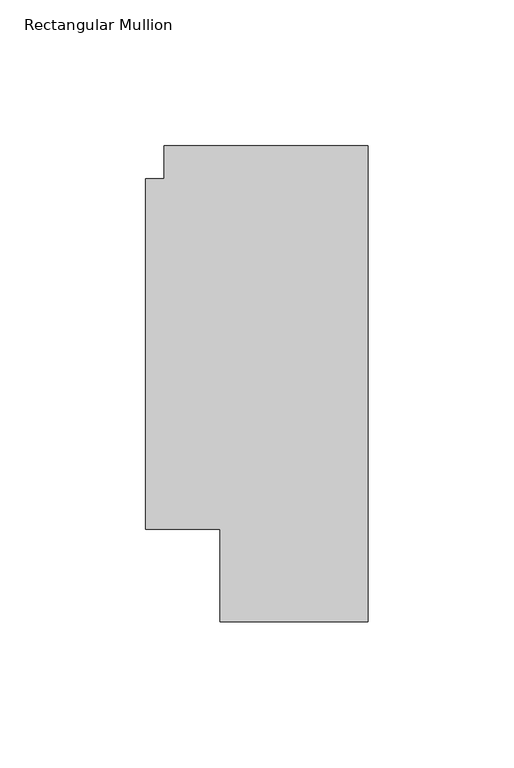
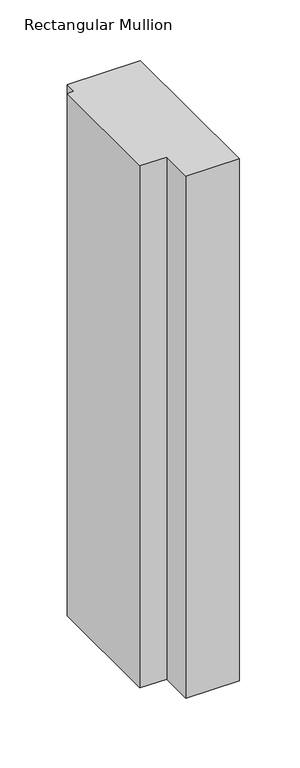
"""IFC4 building model written with IfcOpenShell, lengths in millimetres: member geometry, Rectangular Mullion."""

from ifc_helpers import new_model, si_unit, frame, origin, place, context, project, spatial, polyline, outline, extrude, source, transform, mapped, element, save


def rectangular_mullion_3d38a0c3(model_context):
    return source(origin(), model_context, "Body", "SweptSolid", [
        extrude(outline(polyline([(-69.85, 163.068), (0.0, 163.068), (0.0, 0.0), (-50.7999999, 0.0), (-50.7999999, 31.75), (-76.1999999, 31.75), (-76.1999999, 151.892), (-69.85, 151.892), (-69.85, 163.068)])), frame((0.0, 0.0, -527.197016), z_axis=(0.0, 0.0, 1.0), x_axis=(1.0, 0.0, 0.0)), (0.0, 0.0, 1.0), 527.197016),
    ])


if __name__ == "__main__":
    model = new_model("IFC4")
    model_context = context("Model", 3, world=origin())
    ifc_project = project(units=[si_unit("LENGTHUNIT", "METRE", prefix="MILLI")], contexts=[model_context])
    site = spatial("IfcSite", under=ifc_project)
    building = spatial("IfcBuilding", under=site)
    placement = place(None, origin())
    rectangular_mullion_shape = rectangular_mullion_3d38a0c3(model_context)
    element("IfcMember", 1, ObjectType="Rectangular Mullion", at=placement, inside=building, context=model_context, shape_type="MappedRepresentation", body=[
        mapped(rectangular_mullion_shape, transform((0.0, 0.0, 0.0), x_axis=(1.0, 0.0, 0.0), y_axis=(0.0, 1.0, 0.0), z_axis=(0.0, 0.0, 1.0))),
    ])
    save(model, "model.ifc")
